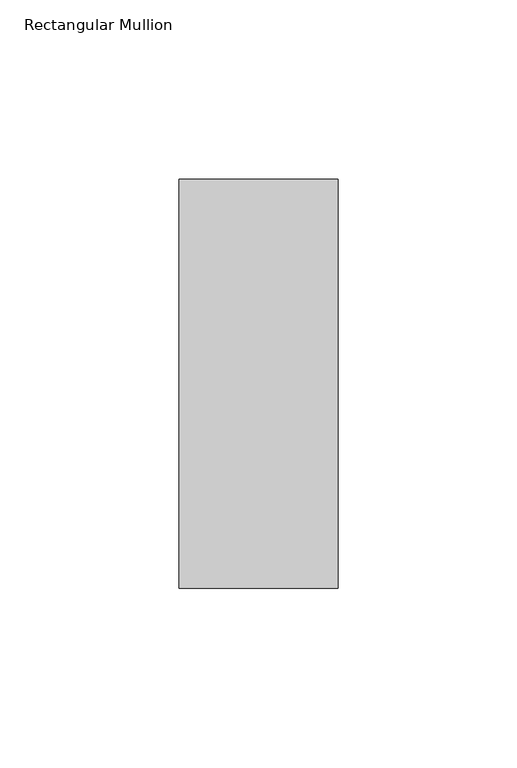
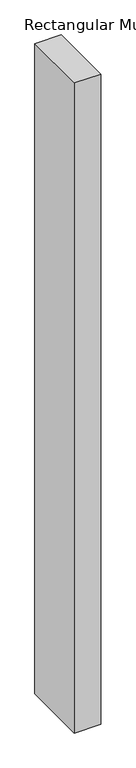
"""IFC4 building model written with IfcOpenShell, lengths in millimetres: member geometry, Rectangular Mullion."""

from ifc_helpers import new_model, si_unit, frame, origin, place, context, project, spatial, polyline, outline, extrude, source, transform, mapped, element, save


def rectangular_mullion_e6b5252e(model_context):
    return source(origin(), model_context, "Body", "SweptSolid", [
        extrude(outline(polyline([(0.0, 57.1464454), (0.0, -57.1464454), (-44.45, -57.1464454), (-44.45, 57.1464454), (0.0, 57.1464454)])), frame((0.0, 0.0, -1152.525), z_axis=(0.0, 0.0, 1.0), x_axis=(1.0, 0.0, 0.0)), (0.0, 0.0, 1.0), 1152.525),
    ])


if __name__ == "__main__":
    model = new_model("IFC4")
    model_context = context("Model", 3, world=origin())
    ifc_project = project(units=[si_unit("LENGTHUNIT", "METRE", prefix="MILLI")], contexts=[model_context])
    site = spatial("IfcSite", under=ifc_project)
    building = spatial("IfcBuilding", under=site)
    placement = place(None, origin())
    rectangular_mullion_shape = rectangular_mullion_e6b5252e(model_context)
    element("IfcMember", 1, ObjectType="Rectangular Mullion", at=placement, inside=building, context=model_context, shape_type="MappedRepresentation", body=[
        mapped(rectangular_mullion_shape, transform((0.0, 0.0, 0.0), x_axis=(1.0, 0.0, 0.0), y_axis=(0.0, 1.0, 0.0), z_axis=(0.0, 0.0, 1.0))),
    ])
    save(model, "model.ifc")
